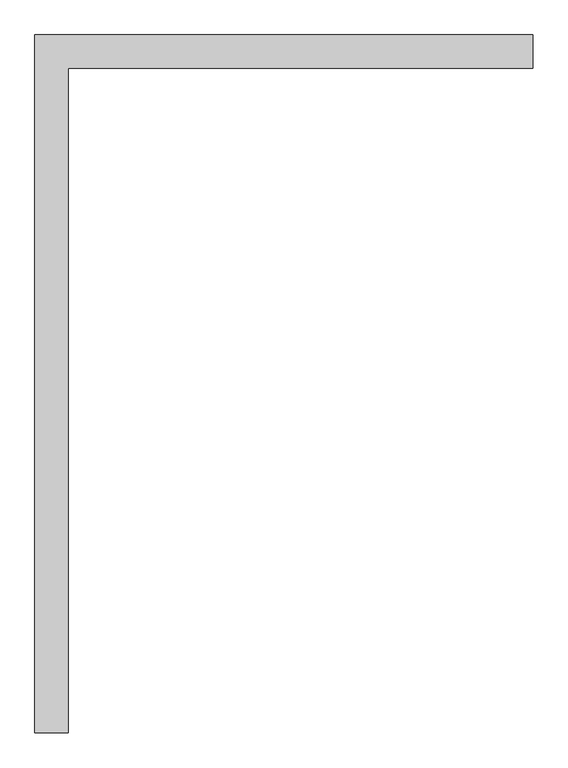
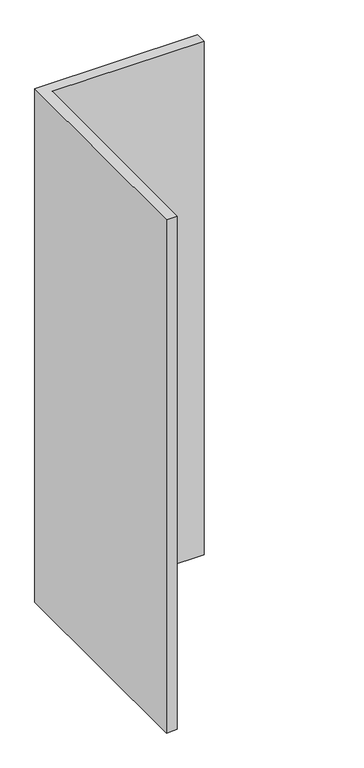
"""IFC4 building model written with IfcOpenShell, lengths in millimetres: proxy geometry."""

from ifc_helpers import new_model, si_unit, origin, origin_with_axes, place, context, project, spatial, polyline, outline, extrude, source, transform, mapped, element, save


def generic_models_3a6d2f9a(model_context):
    return source(origin(), model_context, "Body", "SweptSolid", [
        extrude(outline(polyline([(375.0000176, 524.9999668), (375.000018, 474.9999167), (-324.9999831, 474.999953), (-325.0000032, -524.9999678), (-374.9999738, -524.9999668), (-374.9999821, 524.9999937), (375.0000176, 524.9999668)])), origin_with_axes(), (0.0, 0.0, 1.0), 2500.0),
    ])


if __name__ == "__main__":
    model = new_model("IFC4")
    model_context = context("Model", 3, world=origin())
    ifc_project = project(units=[si_unit("LENGTHUNIT", "METRE", prefix="MILLI")], contexts=[model_context])
    site = spatial("IfcSite", under=ifc_project)
    building = spatial("IfcBuilding", under=site)
    placement = place(None, origin())
    generic_models_shape = generic_models_3a6d2f9a(model_context)
    element("IfcBuildingElementProxy", 1, Name="Generic Models", at=placement, inside=building, context=model_context, shape_type="MappedRepresentation", body=[
        mapped(generic_models_shape, transform((0.0, 0.0, 0.0), x_axis=(1.0, 0.0, 0.0), y_axis=(0.0, 1.0, 0.0), z_axis=(0.0, 0.0, 1.0))),
    ])
    save(model, "model.ifc")
